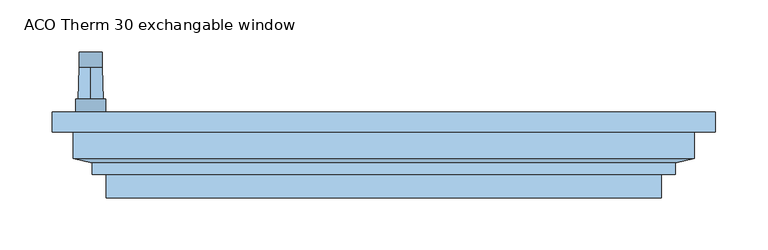
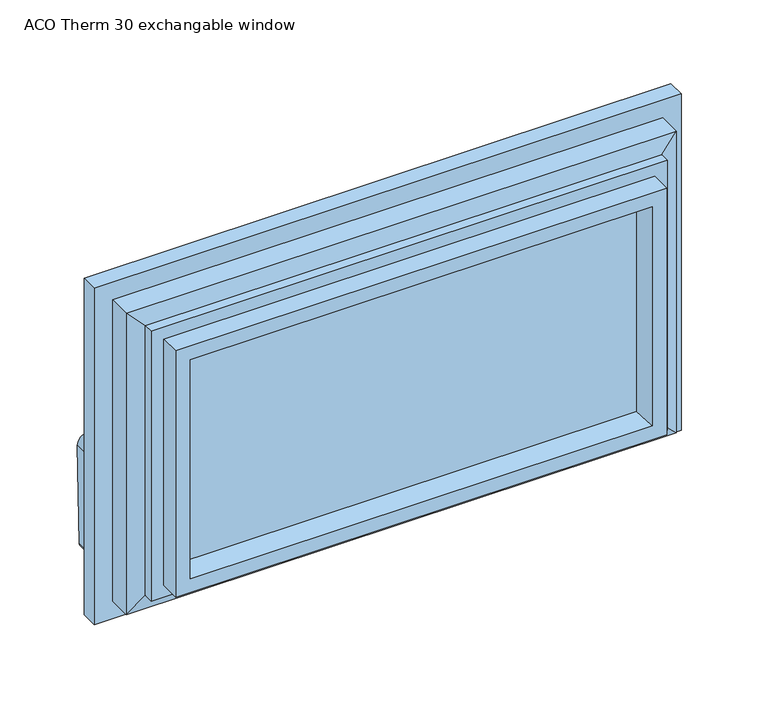
"""IFC4 building model written with IfcOpenShell, lengths in millimetres: window geometry, ACO Therm 30 exchangable window."""

import ifcopenshell
import ifcopenshell.guid

model = None  # the IFC model being written
_history = None  # IfcOwnerHistory: only IFC2X3 demands one
_inside = {}  # id of a spatial element -> (the spatial element, [elements in it])
_under = {}  # id of a project, library or spatial element -> (it, [spatial elements below it])
_declared = {}  # id of a project -> (the project, [libraries it declares])
_typed = {}  # id of a type object -> (the type object, [elements of that type])
_made_of = {}  # id of a material, layer set ... -> (it, [elements and type objects made of it])


def new_model(schema):
    """Start an empty IFC model of exactly this schema.

    Asked for "IFC4X3", IfcOpenShell would pick the latest addendum, in which some entities
    have other attributes; the version numbers below select the first issue.
    IFC2X3 requires an IfcOwnerHistory on every rooted entity: one is made here for all.
    """
    global model, _history
    if schema == "IFC4X3":
        model = ifcopenshell.file(schema_version=(4, 3, 0, 0))
    else:
        model = ifcopenshell.file(schema=schema)
    _inside.clear()
    _under.clear()
    _declared.clear()
    _typed.clear()
    _made_of.clear()
    _history = None
    if model.schema == "IFC2X3":
        org = make("IfcOrganization", Name="unknown")
        user = make(
            "IfcPersonAndOrganization",
            ThePerson=make("IfcPerson", FamilyName="unknown"),
            TheOrganization=org,
        )
        app = make(
            "IfcApplication",
            ApplicationDeveloper=org,
            Version="unknown",
            ApplicationFullName="unknown",
            ApplicationIdentifier="unknown",
        )
        _history = make(
            "IfcOwnerHistory",
            OwningUser=user,
            OwningApplication=app,
            ChangeAction="ADDED",
            CreationDate=0,
        )
    return model


def make(cls, **values):
    """One entity of the class cls with the attributes given. An attribute that is None is left unset."""
    return model.create_entity(
        cls, **{name: value for name, value in values.items() if value is not None}
    )


def rooted(cls, **values):
    """An entity with a GlobalId (a new one), such as an element, a storey or a relation."""
    return make(cls, GlobalId=ifcopenshell.guid.new(), OwnerHistory=_history, **values)


def si_unit(unit_type, name, prefix=None):
    """IfcSIUnit, for example si_unit("LENGTHUNIT", "METRE", prefix="MILLI")."""
    return make("IfcSIUnit", UnitType=unit_type, Prefix=prefix, Name=name)


def assignment(units):
    """IfcUnitAssignment: the units of a project."""
    return None if units is None else make("IfcUnitAssignment", Units=units)


def point(xyz):
    """IfcCartesianPoint."""
    return None if xyz is None else make("IfcCartesianPoint", Coordinates=xyz)


def direction(xyz):
    """IfcDirection."""
    return None if xyz is None else make("IfcDirection", DirectionRatios=xyz)


def frame(location, z_axis=None, x_axis=None):
    """IfcAxis2Placement3D, a coordinate frame: its origin and axes. An axis left out is left unset."""
    return make(
        "IfcAxis2Placement3D",
        Location=point(location),
        Axis=direction(z_axis),
        RefDirection=direction(x_axis),
    )


def frame_2d(location, x_axis=None):
    """IfcAxis2Placement2D, a coordinate frame in the plane: its origin and x axis."""
    return make(
        "IfcAxis2Placement2D", Location=point(location), RefDirection=direction(x_axis)
    )


def origin():
    """The frame at (0, 0, 0) with its axes left unset."""
    return frame((0.0, 0.0, 0.0))


def place(relative_to, where):
    """IfcLocalPlacement: puts the frame where relative to a parent placement (None: the world)."""
    return make(
        "IfcLocalPlacement", PlacementRelTo=relative_to, RelativePlacement=where
    )


def context(
    kind, dimensions, precision=None, world=None, true_north=None, identifier=None
):
    """IfcGeometricRepresentationContext, for example the 3D "Model" context."""
    return make(
        "IfcGeometricRepresentationContext",
        ContextIdentifier=identifier,
        ContextType=kind,
        CoordinateSpaceDimension=dimensions,
        Precision=precision,
        WorldCoordinateSystem=world,
        TrueNorth=true_north,
    )


def project(units=None, contexts=None):
    """IfcProject with its units and contexts."""
    return rooted(
        "IfcProject",
        Name="project",
        RepresentationContexts=contexts,
        UnitsInContext=assignment(units),
    )


def spatial(cls, under=None, at=None, **own):
    """A site, building, storey or space (cls), placed at a placement, below another one or the project."""
    s = rooted(cls, ObjectPlacement=at, **own)
    if under is not None:
        _under.setdefault(under.id(), (under, []))[1].append(s)
    return s


def polyline(points):
    """IfcPolyline through the points."""
    return make("IfcPolyline", Points=[point(p) for p in points])


def circle_curve(where, radius):
    """IfcCircle in the frame where."""
    return make("IfcCircle", Position=where, Radius=radius)


def trimmed(basis, trim1, trim2, sense, master):
    """IfcTrimmedCurve: the piece of a basis curve between two trims."""
    return make(
        "IfcTrimmedCurve",
        BasisCurve=basis,
        Trim1=trim1,
        Trim2=trim2,
        SenseAgreement=sense,
        MasterRepresentation=master,
    )


def segment(curve, same_sense, transition):
    """IfcCompositeCurveSegment."""
    return make(
        "IfcCompositeCurveSegment",
        Transition=transition,
        SameSense=same_sense,
        ParentCurve=curve,
    )


def composite_curve(segments, self_intersect=None):
    """IfcCompositeCurve: segments joined end to end."""
    return make("IfcCompositeCurve", Segments=segments, SelfIntersect=self_intersect)


def outline(outer, holes=None, kind="AREA"):
    """IfcArbitraryClosedProfileDef: a profile drawn as a closed curve; with holes, ...WithVoids."""
    if holes is None:
        return make("IfcArbitraryClosedProfileDef", ProfileType=kind, OuterCurve=outer)
    return make(
        "IfcArbitraryProfileDefWithVoids",
        ProfileType=kind,
        OuterCurve=outer,
        InnerCurves=holes,
    )


def extrude(swept, where, along, depth):
    """IfcExtrudedAreaSolid: the profile swept, set in the frame where, extruded along a direction by depth."""
    return make(
        "IfcExtrudedAreaSolid",
        SweptArea=swept,
        Position=where,
        ExtrudedDirection=direction(along),
        Depth=depth,
    )


def faces_of(points, faces, orient=None, outer=None):
    """IfcFace entities. A face is a list of loops; a loop is a list of indices into points, from 0.

    orient and outer hold one flag for each loop. By default every Orientation is true, the
    first loop of a face is its IfcFaceOuterBound and the others are IfcFaceBound.
    """
    made = []
    for i, loops in enumerate(faces):
        bounds = []
        for j, loop in enumerate(loops):
            is_outer = j == 0 if outer is None else outer[i][j]
            bounds.append(
                make(
                    "IfcFaceOuterBound" if is_outer else "IfcFaceBound",
                    Bound=make("IfcPolyLoop", Polygon=[points[k] for k in loop]),
                    Orientation=True if orient is None else orient[i][j],
                )
            )
        made.append(make("IfcFace", Bounds=bounds))
    return made


def faceted_brep(points, faces, orient=None, outer=None, voids=None):
    """IfcFacetedBrep: a solid bounded by flat faces; with voids (closed shells), ...WithVoids."""
    shared = [point(p) for p in points]
    hull = make("IfcClosedShell", CfsFaces=faces_of(shared, faces, orient, outer))
    if voids is None:
        return make("IfcFacetedBrep", Outer=hull)
    return make(
        "IfcFacetedBrepWithVoids",
        Outer=hull,
        Voids=[
            make(cls, CfsFaces=faces_of(shared, fs, o, b)) for cls, fs, o, b in voids
        ],
    )


def shape(context_of_items, identifier, shape_type, items):
    """IfcShapeRepresentation: the items that make up one representation, for example the "Body"."""
    return make(
        "IfcShapeRepresentation",
        ContextOfItems=context_of_items,
        RepresentationIdentifier=identifier,
        RepresentationType=shape_type,
        Items=items,
    )


def source(mapping_origin, context_of_items, identifier, shape_type, items):
    """IfcRepresentationMap: a shape defined once, which mapped items show again and again."""
    return make(
        "IfcRepresentationMap",
        MappingOrigin=mapping_origin,
        MappedRepresentation=shape(context_of_items, identifier, shape_type, items),
    )


def transform(
    local_origin,
    x_axis=None,
    y_axis=None,
    z_axis=None,
    scale=None,
    scale2=None,
    scale3=None,
    uniform=True,
):
    """IfcCartesianTransformationOperator3D, or its non-uniform kind. x_axis, y_axis, z_axis: its Axis1, 2, 3."""
    if uniform:
        return make(
            "IfcCartesianTransformationOperator3D",
            Axis1=direction(x_axis),
            Axis2=direction(y_axis),
            LocalOrigin=point(local_origin),
            Scale=scale,
            Axis3=direction(z_axis),
        )
    return make(
        "IfcCartesianTransformationOperator3DnonUniform",
        Axis1=direction(x_axis),
        Axis2=direction(y_axis),
        LocalOrigin=point(local_origin),
        Scale=scale,
        Axis3=direction(z_axis),
        Scale2=scale2,
        Scale3=scale3,
    )


def mapped(mapping_source, mapping_target):
    """IfcMappedItem: shows the shape of a source again, moved by a transform."""
    return make(
        "IfcMappedItem", MappingSource=mapping_source, MappingTarget=mapping_target
    )


def made_of(thing, what):
    """Note that an element or type object is made of a material, layer set ...; save() writes the relation."""
    if what is not None:
        _made_of.setdefault(what.id(), (what, []))[1].append(thing)
    return thing


def element(
    cls,
    number,
    at=None,
    inside=None,
    cuts=None,
    type_object=None,
    material=None,
    context=None,
    identifier="Body",
    shape_type=None,
    held_by="IfcProductDefinitionShape",
    body=None,
    shapes=None,
    **own,
):
    """One element of the class cls, such as IfcWall. Its Tag is "e" and its number.

    at: its placement. inside: the storey or other place that contains it. cuts: it is an
    opening in that element (IfcRelVoidsElement). A single representation is given by context,
    identifier, shape_type and body (its items); several are given by shapes. held_by: the class
    of the entity that holds the representations. save() writes the other relations.
    """
    e = rooted(cls, Tag="e%d" % number, ObjectPlacement=at, **own)
    if body is not None:
        shapes = [shape(context, identifier, shape_type, body)]
    if shapes is not None:
        e.Representation = make(held_by, Representations=shapes)
    if inside is not None:
        _inside.setdefault(inside.id(), (inside, []))[1].append(e)
    if cuts is not None:
        rooted(
            "IfcRelVoidsElement", RelatingBuildingElement=cuts, RelatedOpeningElement=e
        )
    if type_object is not None:
        _typed.setdefault(type_object.id(), (type_object, []))[1].append(e)
    return made_of(e, material)


def aggregate(whole, parts):
    """IfcRelAggregates: a whole, such as a stair, and the parts it consists of."""
    return rooted("IfcRelAggregates", RelatingObject=whole, RelatedObjects=parts)


def save(model, path):
    """Write the relations noted so far, then the file.

    IfcRelAggregates (storeys below a building ...), IfcRelContainedInSpatialStructure (elements
    in a storey), IfcRelDefinesByType, IfcRelAssociatesMaterial and IfcRelDeclares: one each for
    every whole, place, type object, material and project.
    """
    for whole, parts in _under.values():
        aggregate(whole, parts)
    for where, things in _inside.values():
        rooted(
            "IfcRelContainedInSpatialStructure",
            RelatedElements=things,
            RelatingStructure=where,
        )
    for kind, things in _typed.values():
        rooted("IfcRelDefinesByType", RelatedObjects=things, RelatingType=kind)
    for what, things in _made_of.values():
        rooted("IfcRelAssociatesMaterial", RelatedObjects=things, RelatingMaterial=what)
    for by, libraries in _declared.values():
        rooted("IfcRelDeclares", RelatingContext=by, RelatedDefinitions=libraries)
    model.write(path)


def plane_surface(at):
    """IfcPlane: the flat surface through the origin of the frame at, square to its z axis."""
    return make("IfcPlane", Position=at)


def cylinder_surface(at, radius):
    """IfcCylindricalSurface: all points at the distance radius from the z axis of the frame at."""
    return make("IfcCylindricalSurface", Position=at, Radius=radius)


def revolved_surface(curve, axis_point, axis_direction):
    """IfcSurfaceOfRevolution: the curve turned about the line through axis_point along axis_direction."""
    return make(
        "IfcSurfaceOfRevolution",
        SweptCurve=make("IfcArbitraryOpenProfileDef", ProfileType="CURVE", Curve=curve),
        AxisPosition=make("IfcAxis1Placement", Location=point(axis_point), Axis=direction(axis_direction)),
    )


def advanced_brep(points, edges, surfaces, faces):
    """IfcAdvancedBrep: a solid bounded by faces that lie on surfaces and meet in shared edges.

    An edge is (start, end): straight between two places in points (the first is 0);
    or (start, end, curve); or (start, end, curve, False) where it runs against its curve.
    A face is (place in surfaces, loops), or (place, loops, False) where it looks against
    its surface's normal. A loop lists edges by number (the first is 1), with a minus sign
    where the edge is run from its end to its start. The first loop is the outer one.
    """
    corners = [point(p) for p in points]
    vertices = [make("IfcVertexPoint", VertexGeometry=c) for c in corners]
    made = []
    for start, end, *more in edges:
        made.append(
            make(
                "IfcEdgeCurve",
                EdgeStart=vertices[start],
                EdgeEnd=vertices[end],
                EdgeGeometry=more[0] if more else make("IfcPolyline", Points=[corners[start], corners[end]]),
                SameSense=more[1] if len(more) > 1 else True,
            )
        )
    hull = []
    for where, loops, *sense in faces:
        bounds = []
        for j, loop in enumerate(loops):
            ring = [make("IfcOrientedEdge", EdgeElement=made[abs(k) - 1], Orientation=k > 0) for k in loop]
            bounds.append(
                make(
                    "IfcFaceOuterBound" if j == 0 else "IfcFaceBound",
                    Bound=make("IfcEdgeLoop", EdgeList=ring),
                    Orientation=True,
                )
            )
        hull.append(make("IfcAdvancedFace", Bounds=bounds, FaceSurface=surfaces[where], SameSense=sense[0] if sense else True))
    return make("IfcAdvancedBrep", Outer=make("IfcClosedShell", CfsFaces=hull))


def aco_therm_30_exchangable_window_53d22fbe(model_context):
    return source(origin(), model_context, "Body", "SolidModel", [
        advanced_brep(
        [(-266.2, -19.2, 220.2), (-266.2, -19.2, 184.8), (-294.8, -19.2, 184.8), (-294.8, -19.2, 220.2), (-280.5, -19.2, 190.5), (-280.5, -19.2, 214.5), (-266.2, -32.0, 220.2), (-294.8, -32.0, 220.2), (-294.8, -32.0, 184.8), (-266.2, -32.0, 184.8), (-280.5, 10.5837804, 213.45), (-280.5, 10.5837804, 191.55)],
        [
            (0, 1),
            (1, 2, circle_curve(frame((-280.5, -19.2, 184.8), z_axis=(0.0, 1.0, 0.0), x_axis=(-1.0, 0.0, 0.0)), 14.3)),
            (2, 3),
            (3, 0, circle_curve(frame((-280.5, -19.2, 220.2), z_axis=(0.0, 1.0, 0.0), x_axis=(-1.0, 0.0, 0.0)), 14.3)),
            (4, 5, circle_curve(frame((-280.5, -19.2, 202.5), z_axis=(0.0, -1.0, 0.0), x_axis=(0.0, 0.0, 1.0)), 12.0)),
            (5, 4, circle_curve(frame((-280.5, -19.2, 202.5), z_axis=(0.0, -1.0, 0.0), x_axis=(0.0, 0.0, -1.0)), 12.0)),
            (6, 7, circle_curve(frame((-280.5, -32.0, 220.2), z_axis=(0.0, -1.0, 0.0), x_axis=(-1.0, 0.0, 0.0)), 14.3)),
            (7, 8),
            (8, 9, circle_curve(frame((-280.5, -32.0, 184.8), z_axis=(0.0, -1.0, 0.0), x_axis=(-1.0, 0.0, 0.0)), 14.3)),
            (9, 6),
            (0, 6),
            (9, 1),
            (8, 2),
            (7, 3),
            (10, 11, circle_curve(frame((-280.5, 10.5837804, 202.5), z_axis=(0.0, 1.0, 0.0), x_axis=(0.0, 0.0, 1.0)), 10.95)),
            (11, 10, circle_curve(frame((-280.5, 10.5837804, 202.5), z_axis=(0.0, 1.0, 0.0), x_axis=(0.0, 0.0, -1.0)), 10.95)),
            (10, 5),
            (4, 11),
        ],
        [
            plane_surface(frame((-266.2, -19.2, 220.2), z_axis=(0.0, 1.0, 0.0), x_axis=(0.0, 0.0, -1.0))),
            plane_surface(frame((-266.2, -32.0, 220.2), z_axis=(0.0, -1.0, 0.0), x_axis=(0.0, 0.0, 1.0))),
            plane_surface(frame((-266.2, -19.2, 220.2), z_axis=(1.0, 0.0, 0.0), x_axis=(0.0, -1.0, 0.0))),
            cylinder_surface(frame((-280.5, -32.0, 184.8), z_axis=(0.0, 1.0, 0.0), x_axis=(-1.0, 0.0, 0.0)), 14.3),
            plane_surface(frame((-294.8, -19.2, 184.8), z_axis=(-1.0, 0.0, 0.0), x_axis=(0.0, -1.0, 0.0))),
            cylinder_surface(frame((-280.5, -32.0, 220.2), z_axis=(0.0, 1.0, 0.0), x_axis=(-1.0, 0.0, 0.0)), 14.3),
            plane_surface(frame((-280.5, 10.5837804, 202.5), z_axis=(0.0, 1.0, 0.0), x_axis=(1.0, 0.0, 0.0))),
            revolved_surface(polyline([(-280.5, 10.583780400000023, 213.4500000002644), (-280.5, -19.19999999999999, 214.5)]), (-280.5, 321.1860618, 202.5), (0.0, -1.0, 0.0)),
            revolved_surface(polyline([(-280.5, 10.583780400000023, 191.5499999997356), (-280.5, -19.19999999999999, 190.5)]), (-280.5, 321.1860618, 202.5), (0.0, -1.0, 0.0)),
        ],
        [
            (0, [[1, 2, 3, 4], [5, 6]]),
            (1, [[7, 8, 9, 10]]),
            (2, [[-1, 11, -10, 12]]),
            (3, [[-2, -12, -9, 13]]),
            (4, [[-3, -13, -8, 14]]),
            (5, [[-4, -14, -7, -11]]),
            (6, [[15, 16]]),
            (7, [[-15, 17, -5, 18]]),
            (8, [[-16, -18, -6, -17]]),
        ],
    ),
        extrude(outline(composite_curve([segment(trimmed(circle_curve(frame_2d((89.5593058, -284.4580365)), 5.1186159), [point((89.5592661, -289.5766524))], [point((84.4406899, -284.4580365))], False, "CARTESIAN"), True, "CONTINUOUS"), segment(polyline([(84.4406899, -284.4580365), (84.4406899, -276.5419635)]), True, "CONTINUOUS"), segment(trimmed(circle_curve(frame_2d((89.5593058, -276.5419635)), 5.1186159), [point((84.4406899, -276.5419635))], [point((89.3895475, -271.4261634))], False, "CARTESIAN"), True, "CONTINUOUS"), segment(polyline([(89.3895475, -271.4261634), (202.5, -269.55)]), True, "CONTINUOUS"), segment(trimmed(circle_curve(frame_2d((202.5, -280.5)), 10.95), [point((202.5, -269.55))], [point((202.5, -291.45))], False, "CARTESIAN"), True, "CONTINUOUS"), segment(polyline([(202.5, -291.45), (89.5592661, -289.5766524)]), True, "CONTINUOUS")], self_intersect=False)), frame((0.0, 10.5837804, 0.0), z_axis=(0.0, 1.0, 0.0), x_axis=(0.0, 0.0, 1.0)), (0.0, 0.0, 1.0), 15.0),
        extrude(outline(polyline([(261.5, -53.0), (261.5, -57.0), (-261.5, -57.0), (-261.5, -53.0), (261.5, -53.0)])), frame((0.0, 0.0, 108.5), z_axis=(0.0, 0.0, 1.0), x_axis=(1.0, 0.0, 0.0)), (0.0, 0.0, 1.0), 273.0),
        extrude(outline(polyline([(261.5, -89.0), (261.5, -93.0), (-261.5, -93.0), (-261.5, -89.0), (261.5, -89.0)])), frame((0.0, 0.0, 108.5), z_axis=(0.0, 0.0, 1.0), x_axis=(1.0, 0.0, 0.0)), (0.0, 0.0, 1.0), 273.0),
        extrude(outline(polyline([(261.5, -71.0), (261.5, -75.0), (-261.5, -75.0), (-261.5, -71.0), (261.5, -71.0)])), frame((0.0, 0.0, 108.5), z_axis=(0.0, 0.0, 1.0), x_axis=(1.0, 0.0, 0.0)), (0.0, 0.0, 1.0), 273.0),
        faceted_brep([(297.5, -51.0, 417.5), (297.5, -76.45, 417.5), (297.5, -76.45, 72.5), (297.5, -51.0, 72.5), (317.5, -32.0, 437.5), (317.5, -51.0, 437.5), (317.5, -51.0, 52.5), (317.5, -32.0, 52.5), (245.3364776, -53.0, 365.3364776), (234.6599742, -32.0, 354.6599742), (234.6599742, -32.0, 135.3400258), (245.3364776, -53.0, 124.6635224), (261.5, -93.0, 381.5), (261.5, -53.0, 381.5), (261.5, -53.0, 108.5), (261.5, -93.0, 108.5), (250.1595631, -114.0, 370.1595631), (244.53263, -93.0, 364.53263), (244.53263, -93.0, 125.46737), (250.1595631, -114.0, 119.8404369), (265.9018435, -114.0, 385.9018435), (265.9018435, -114.0, 104.0981565), (265.9018435, -91.5, 104.0981565), (265.9018435, -91.5, 385.9018435), (279.3518435, -80.6, 399.3518435), (279.3518435, -91.5, 399.3518435), (279.3518435, -91.5, 90.6481565), (279.3518435, -80.6, 90.6481565), (-297.5, -76.45, 72.5), (-297.5, -51.0, 72.5), (-317.5, -51.0, 52.5), (-317.5, -32.0, 52.5), (-234.6599742, -32.0, 135.3400258), (-245.3364776, -53.0, 124.6635224), (-261.5, -53.0, 108.5), (-261.5, -93.0, 108.5), (-244.53263, -93.0, 125.46737), (-250.1595631, -114.0, 119.8404369), (-265.9018435, -114.0, 104.0981565), (-265.9018435, -91.5, 104.0981565), (-279.3518435, -91.5, 90.6481565), (-279.3518435, -80.6, 90.6481565), (-297.5, -76.45, 417.5), (-297.5, -51.0, 417.5), (-317.5, -51.0, 437.5), (-317.5, -32.0, 437.5), (-234.6599742, -32.0, 354.6599742), (-245.3364776, -53.0, 365.3364776), (-261.5, -53.0, 381.5), (-261.5, -93.0, 381.5), (-244.53263, -93.0, 364.53263), (-250.1595631, -114.0, 370.1595631), (-265.9018435, -114.0, 385.9018435), (-265.9018435, -91.5, 385.9018435), (-279.3518435, -91.5, 399.3518435), (-279.3518435, -80.6, 399.3518435)], [[[0, 1, 2, 3]], [[4, 5, 6, 7]], [[8, 9, 10, 11]], [[12, 13, 14, 15]], [[16, 17, 18, 19]], [[20, 21, 22, 23]], [[24, 25, 26, 27]], [[1, 24, 27, 2]], [[3, 2, 28, 29]], [[7, 6, 30, 31]], [[11, 10, 32, 33]], [[15, 14, 34, 35]], [[19, 18, 36, 37]], [[22, 21, 38, 39]], [[27, 26, 40, 41]], [[2, 27, 41, 28]], [[29, 28, 42, 43]], [[31, 30, 44, 45]], [[33, 32, 46, 47]], [[35, 34, 48, 49]], [[37, 36, 50, 51]], [[39, 38, 52, 53]], [[41, 40, 54, 55]], [[28, 41, 55, 42]], [[43, 42, 1, 0]], [[5, 44, 30, 6], [3, 29, 43, 0]], [[45, 44, 5, 4]], [[7, 31, 45, 4], [9, 46, 32, 10]], [[47, 46, 9, 8]], [[13, 48, 34, 14], [11, 33, 47, 8]], [[49, 48, 13, 12]], [[15, 35, 49, 12], [17, 50, 36, 18]], [[51, 50, 17, 16]], [[20, 52, 38, 21], [19, 37, 51, 16]], [[53, 52, 20, 23]], [[25, 54, 40, 26], [22, 39, 53, 23]], [[55, 54, 25, 24]], [[42, 55, 24, 1]]]),
    ])


if __name__ == "__main__":
    model = new_model("IFC4")
    model_context = context("Model", 3, world=origin())
    ifc_project = project(units=[si_unit("LENGTHUNIT", "METRE", prefix="MILLI")], contexts=[model_context])
    site = spatial("IfcSite", under=ifc_project)
    building = spatial("IfcBuilding", under=site)
    placement = place(None, origin())
    aco_therm_30_exchangable_window_shape = aco_therm_30_exchangable_window_53d22fbe(model_context)
    element("IfcWindow", 1, ObjectType="ACO Therm 30 exchangable window", at=placement, inside=building, context=model_context, shape_type="MappedRepresentation", body=[
        mapped(aco_therm_30_exchangable_window_shape, transform((0.0, 0.0, 0.0), x_axis=(1.0, 0.0, 0.0), y_axis=(0.0, 1.0, 0.0), z_axis=(0.0, 0.0, 1.0))),
    ])
    save(model, "model.ifc")
